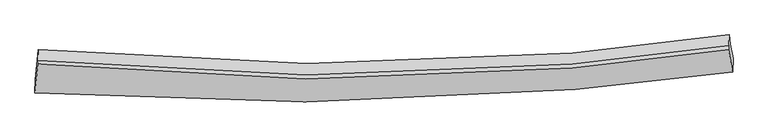
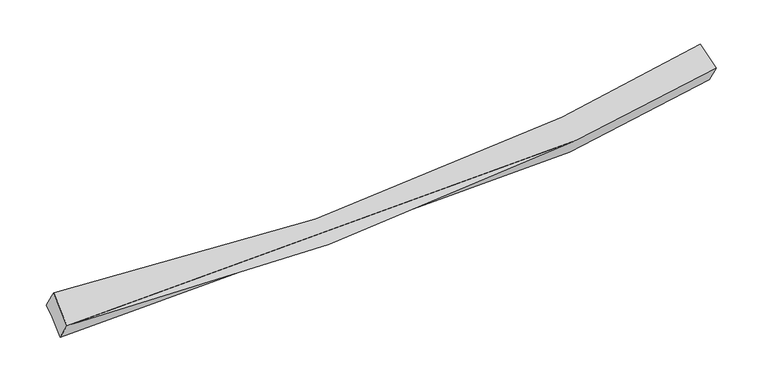
"""IFC4 building model written with IfcOpenShell, lengths in millimetres: proxy geometry."""

from ifc_helpers import new_model, si_unit, frame, origin, place, context, project, spatial, source, transform, mapped, element, save
from ifc_brep_helpers import plane_surface, spline_curve, spline_surface, advanced_brep


def generic_models_647c420d(model_context):
    return source(origin(), model_context, "Body", "AdvancedBrep", [
        advanced_brep(
        [(-8632.9005537, -1987.0966842, 1296.8939309), (-8593.4297117, -1574.3042246, 1561.0337337), (5927.1277997, -1236.1630753, 2136.5833676), (5981.4620152, -1544.6923547, 1941.2130405), (-8643.7791043, -2270.3133833, 1741.1249861), (5970.4802418, -1830.5963985, 2389.6592497), (-8585.7796767, -1663.7459744, 2129.2585193), (5886.5958672, -1354.2706534, 2691.2835131), (-8582.8223439, -1586.7535469, 2008.4943574), (5889.7596455, -1271.9035364, 2562.0890433), (-8573.8287976, -1352.6118291, 1641.2383917), (5898.5105821, -1044.078021, 2204.7401671)],
        [
            (0, 1),
            (1, 2, spline_curve(3, [(-8593.4297117, -1574.3042246, 1561.0337337), (-4809.260424202, -1976.018698698, 1399.842306062), (-1060.884041295, -2000.291659397, 1477.543230367), (3746.622121555, -1542.965919349, 1887.506839772), (4838.431576387, -1405.979241394, 2001.655793747), (5927.1277997, -1236.1630753, 2136.5833676)], [4, 2, 4], [0.0, 37.04121348404043, 47.965483665651604])),
            (2, 3),
            (3, 0, spline_curve(3, [(5981.4620152, -1544.6923547, 1941.2130405), (4886.513710803, -1690.984342314, 1821.130053927), (3788.254172941, -1811.607293208, 1717.255737553), (-1048.441912614, -2228.523969531, 1332.339854011), (-4821.636564324, -2255.369128578, 1221.441133371), (-8632.9005537, -1987.0966842, 1296.8939309)], [4, 2, 4], [0.0, 10.92427018161117, 47.965483665651604])),
            (4, 0),
            (3, 5),
            (5, 4, spline_curve(3, [(5970.4802418, -1830.5963985, 2389.6592497), (4875.529625975, -1976.94855503, 2269.670639261), (3777.270088475, -2097.57150589, 2165.796323151), (-1059.415849382, -2514.22399754, 1780.466058648), (-4832.576093895, -2540.173374492, 1668.162287256), (-8643.7791043, -2270.3133833, 1741.1249861)], [4, 2, 4], [0.0, 10.96064660330191, 48.12520258796086])),
            (6, 4),
            (5, 7),
            (7, 6, spline_curve(3, [(5886.5958672, -1354.2706534, 2691.2835131), (4798.304653464, -1513.5697375, 2563.203749616), (3707.641053764, -1641.938982755, 2454.576845639), (-1091.581125248, -2069.768774708, 2063.037994985), (-4825.042706049, -2044.557969808, 1984.32323387), (-8585.7796767, -1663.7459744, 2129.2585193)], [4, 2, 4], [0.0, 10.904130656035647, 47.87705651500745])),
            (8, 6),
            (7, 9),
            (9, 8, spline_curve(3, [(5889.7596455, -1271.9035364, 2562.0890433), (4801.473054027, -1431.082282544, 2433.820527366), (3710.809454231, -1559.451527709, 2325.19362316), (-1088.433019454, -1987.809691122, 1934.483533917), (-4821.963416201, -1964.390449028, 1858.578875763), (-8582.8223439, -1586.7535469, 2008.4943574)], [4, 2, 4], [0.0, 10.853463224414796, 47.654589675265484])),
            (10, 8),
            (9, 11),
            (11, 10, spline_curve(3, [(5898.5105821, -1044.078021, 2204.7401671), (4810.278723753, -1201.831823002, 2074.236597649), (3719.661586373, -1328.991448731, 1963.712381664), (-1079.413199062, -1752.983938934, 1566.154645603), (-4812.909188416, -1728.668915794, 1488.844936422), (-8573.8287976, -1352.6118291, 1641.2383917)], [4, 2, 4], [0.0, 10.853464654920053, 47.65459595622296])),
            (1, 10),
            (11, 2),
        ],
        [
            spline_surface(3, 3, [[(-8632.9005537, -1987.0966842, 1296.8939309), (-4821.636564289, -2255.369129062, 1221.441133488), (-1048.441912437, -2228.523970087, 1332.339853706), (3788.254172889, -1811.607293044, 1717.255737643), (4886.51371069, -1690.9843422, 1821.130053917), (5981.4620152, -1544.6923547, 1941.2130405)], [(-8619.74360636, -1849.499197675, 1384.940531865), (-4817.511184074, -2162.252318864, 1280.908191142), (-1052.589288736, -2152.446533281, 1380.740979275), (3774.376822446, -1722.060168434, 1774.006105029), (4870.486332601, -1595.982642002, 1881.305300519), (5963.350610059, -1441.849261587, 2006.336482863)], [(-8606.58665904, -1711.901711125, 1472.987132735), (-4813.385803878, -2069.135508641, 1340.375248701), (-1056.736665029, -2076.369096517, 1429.142104812), (3760.499472008, -1632.513043866, 1830.756472382), (4854.458954435, -1500.980941742, 1941.480547134), (5945.239204841, -1339.006168413, 2071.459925237)], [(-8593.4297117, -1574.3042246, 1561.0337337), (-4809.260423663, -1976.018698443, 1399.842306355), (-1060.884041328, -2000.291659712, 1477.543230381), (3746.622121565, -1542.965919256, 1887.506839767), (4838.431576346, -1405.979241544, 2001.655793736), (5927.1277997, -1236.1630753, 2136.5833676)]], [4, 4], [4, 2, 4], [0.0, 1.0005862351039185], [0.0, 37.04121348404043, 47.965483665651604]),
            spline_surface(3, 3, [[(-8643.7791043, -2270.3133833, 1741.1249861), (-4832.576093653, -2540.17337463, 1668.162287063), (-1059.415849313, -2514.223997278, 1780.466058619), (3777.270088455, -2097.571505968, 2165.79632316), (4875.529626156, -1976.948555024, 2269.670639433), (5970.4802418, -1830.5963985, 2389.6592497)], [(-8640.152920781, -2175.907816933, 1593.047967693), (-4828.929583879, -2445.238626106, 1519.255235865), (-1055.757870341, -2418.990654892, 1631.090656977), (3780.931449946, -2002.250101671, 2016.28279465), (4879.190987647, -1881.627150727, 2120.157110924), (5974.140832913, -1735.295050545, 2240.177179963)], [(-8636.526737219, -2081.502250567, 1444.970949307), (-4825.283074062, -2350.303877586, 1370.348184686), (-1052.099891408, -2323.757312472, 1481.715255348), (3784.592811398, -1906.928697341, 1866.769266153), (4882.8523492, -1786.305746497, 1970.643582426), (5977.801424087, -1639.993702655, 2090.695110237)], [(-8632.9005537, -1987.0966842, 1296.8939309), (-4821.636564289, -2255.369129062, 1221.441133488), (-1048.441912437, -2228.523970087, 1332.339853706), (3788.254172889, -1811.607293044, 1717.255737643), (4886.51371069, -1690.9843422, 1821.130053917), (5981.4620152, -1544.6923547, 1941.2130405)]], [4, 4], [4, 2, 4], [0.0, 1.742335561813711], [0.0, 37.164555984658946, 48.12520258796086]),
            spline_surface(3, 3, [[(-8585.7796767, -1663.7459744, 2129.2585193), (-4825.042706426, -2044.557969929, 1984.323234412), (-1091.581125004, -2069.768774734, 2063.037994908), (3707.641053692, -1641.938982747, 2454.576845662), (4798.304653581, -1513.569737557, 2563.203749763), (5886.5958672, -1354.2706534, 2691.2835131)], [(-8605.112819232, -1865.935110705, 1999.880674884), (-4827.5538355, -2209.763104834, 1878.936251946), (-1080.859366449, -2217.920515582, 1968.847349465), (3730.850731938, -1793.816490488, 2358.316671481), (4824.046311108, -1668.029343373, 2465.359379654), (5914.557325402, -1513.04590176, 2590.742091967)], [(-8624.445961768, -2068.124246995, 1870.502830516), (-4830.064964579, -2374.968239724, 1773.549269529), (-1070.137607869, -2366.07225643, 1874.656704062), (3754.060410209, -1945.693998227, 2262.05649734), (4849.787968629, -1822.488949208, 2367.515009542), (5942.518783598, -1671.82115014, 2490.200670833)], [(-8643.7791043, -2270.3133833, 1741.1249861), (-4832.576093653, -2540.17337463, 1668.162287063), (-1059.415849313, -2514.223997278, 1780.466058619), (3777.270088455, -2097.571505968, 2165.79632316), (4875.529626156, -1976.948555024, 2269.670639433), (5970.4802418, -1830.5963985, 2389.6592497)]], [4, 4], [4, 2, 4], [0.0, 1.815070958384324], [0.0, 36.972925858971806, 47.87705651500745]),
            spline_surface(3, 3, [[(-8582.8223439, -1586.7535469, 2008.4943574), (-4821.963416096, -1964.390449494, 1858.578875761), (-1088.433019552, -1987.80969115, 1934.48353368), (3710.80945426, -1559.451527701, 2325.193623229), (4801.473054149, -1431.08228251, 2433.82052733), (5889.7596455, -1271.9035364, 2562.0890433)], [(-8583.808121477, -1612.41768939, 2048.749078028), (-4822.989846183, -1991.112956295, 1900.493661972), (-1089.482388036, -2015.129385677, 1977.335020779), (3709.753320738, -1586.947346048, 2368.321364063), (4800.416920627, -1458.578100858, 2476.948268164), (5888.705052734, -1299.359242065, 2605.15386659)], [(-8584.793899123, -1638.08183191, 2089.003798672), (-4824.016276338, -2017.835463127, 1942.4084482), (-1090.531756521, -2042.449080207, 2020.186507809), (3708.697187214, -1614.4431644, 2411.449104828), (4799.360787103, -1486.073919209, 2520.076008929), (5887.650459966, -1326.814947735, 2648.21868981)], [(-8585.7796767, -1663.7459744, 2129.2585193), (-4825.042706426, -2044.557969929, 1984.323234412), (-1091.581125004, -2069.768774734, 2063.037994908), (3707.641053692, -1641.938982747, 2454.576845662), (4798.304653581, -1513.569737557, 2563.203749763), (5886.5958672, -1354.2706534, 2691.2835131)]], [4, 4], [4, 2, 4], [0.0, 0.4970055941461216], [0.0, 36.80112645085069, 47.654589675265484]),
            spline_surface(3, 3, [[(-8573.8287976, -1352.6118291, 1641.2383917), (-4812.909187949, -1728.668915303, 1488.844936464), (-1079.413198916, -1752.983938584, 1566.154645622), (3719.66158633, -1328.991448834, 1963.712381658), (4810.278723849, -1201.83182286, 2074.236597584), (5898.5105821, -1044.078021, 2204.7401671)], [(-8576.826646387, -1430.659068354, 1763.657046958), (-4815.927264018, -1807.242760021, 1612.089582921), (-1082.419805788, -1831.259189439, 1688.930941636), (3716.710875647, -1405.811475123, 2084.206128843), (4807.343500605, -1278.248642752, 2194.097907473), (5895.593603222, -1120.019859475, 2323.85645914)], [(-8579.824495113, -1508.706307646, 1886.075702142), (-4818.945340026, -1885.816604776, 1735.334229304), (-1085.42641268, -1909.534440295, 1811.707237667), (3713.760164943, -1482.631501412, 2204.699876045), (4804.408277393, -1354.665462619, 2313.959217442), (5892.676624378, -1195.961697925, 2442.97275126)], [(-8582.8223439, -1586.7535469, 2008.4943574), (-4821.963416096, -1964.390449494, 1858.578875761), (-1088.433019552, -1987.80969115, 1934.48353368), (3710.80945426, -1559.451527701, 2325.193623229), (4801.473054149, -1431.08228251, 2433.82052733), (5889.7596455, -1271.9035364, 2562.0890433)]], [4, 4], [4, 2, 4], [0.0, 1.4289842780749344], [0.0, 36.80113130130291, 47.65459595622296]),
            spline_surface(3, 3, [[(-8593.4297117, -1574.3042246, 1561.0337337), (-4809.260423663, -1976.018698443, 1399.842306355), (-1060.884041328, -2000.291659712, 1477.543230381), (3746.622121565, -1542.965919256, 1887.506839767), (4838.431576346, -1405.979241544, 2001.655793736), (5927.1277997, -1236.1630753, 2136.5833676)], [(-8586.896073662, -1500.406759443, 1587.768619672), (-4810.47667842, -1893.56877074, 1429.509849697), (-1067.060427202, -1917.855752673, 1507.080368784), (3737.635276476, -1471.641095786, 1912.908687054), (4829.047292184, -1337.930101984, 2025.84939503), (5917.58872717, -1172.134723868, 2159.302300778)], [(-8580.362435638, -1426.509294257, 1614.503505728), (-4811.692933192, -1811.118843006, 1459.177393123), (-1073.236813043, -1835.419845622, 1536.617507219), (3728.648431419, -1400.316272304, 1938.310534372), (4819.663008011, -1269.88096242, 2050.042996291), (5908.04965463, -1108.106372432, 2182.021233922)], [(-8573.8287976, -1352.6118291, 1641.2383917), (-4812.909187949, -1728.668915303, 1488.844936464), (-1079.413198916, -1752.983938584, 1566.154645622), (3719.66158633, -1328.991448834, 1963.712381658), (4810.278723849, -1201.83182286, 2074.236597584), (5898.5105821, -1044.078021, 2204.7401671)]], [4, 4], [4, 2, 4], [0.0, 0.8351508248626387], [0.0, 36.86974554585466, 47.743446053633946]),
            plane_surface(frame((5932.8353012, -1401.9601006, 2272.6958676), z_axis=(0.9888964037961088, 0.11314072303390206, 0.096348738188364), x_axis=(-0.02064455659596402, -0.5374689526651002, 0.8430307984908004))),
            plane_surface(frame((-8605.9435688, -1769.6144191, 1673.9099123), z_axis=(-0.9965584226879245, 0.07877093452384033, 0.025815693753940192), x_axis=(-0.08028145771375293, -0.839596489270568, -0.5372454027275544))),
        ],
        [
            (0, [[1, 2, 3, 4]]),
            (1, [[5, -4, 6, 7]]),
            (2, [[8, -7, 9, 10]]),
            (3, [[11, -10, 12, 13]]),
            (4, [[14, -13, 15, 16]]),
            (5, [[17, -16, 18, -2]]),
            (6, [[-12, -9, -6, -3, -18, -15]]),
            (7, [[-1, -5, -8, -11, -14, -17]]),
        ],
    ),
    ])


if __name__ == "__main__":
    model = new_model("IFC4")
    model_context = context("Model", 3, world=origin())
    ifc_project = project(units=[si_unit("LENGTHUNIT", "METRE", prefix="MILLI")], contexts=[model_context])
    site = spatial("IfcSite", under=ifc_project)
    building = spatial("IfcBuilding", under=site)
    placement = place(None, origin())
    generic_models_shape = generic_models_647c420d(model_context)
    element("IfcBuildingElementProxy", 1, Name="Generic Models", at=placement, inside=building, context=model_context, shape_type="MappedRepresentation", body=[
        mapped(generic_models_shape, transform((0.0, 0.0, 0.0), x_axis=(1.0, 0.0, 0.0), y_axis=(0.0, 1.0, 0.0), z_axis=(0.0, 0.0, 1.0))),
    ])
    save(model, "model.ifc")
